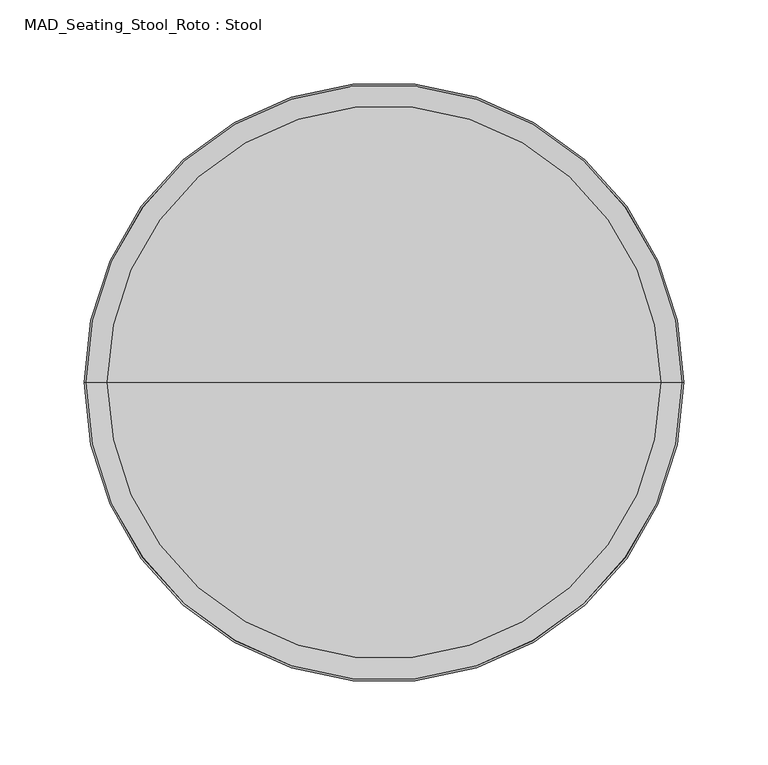
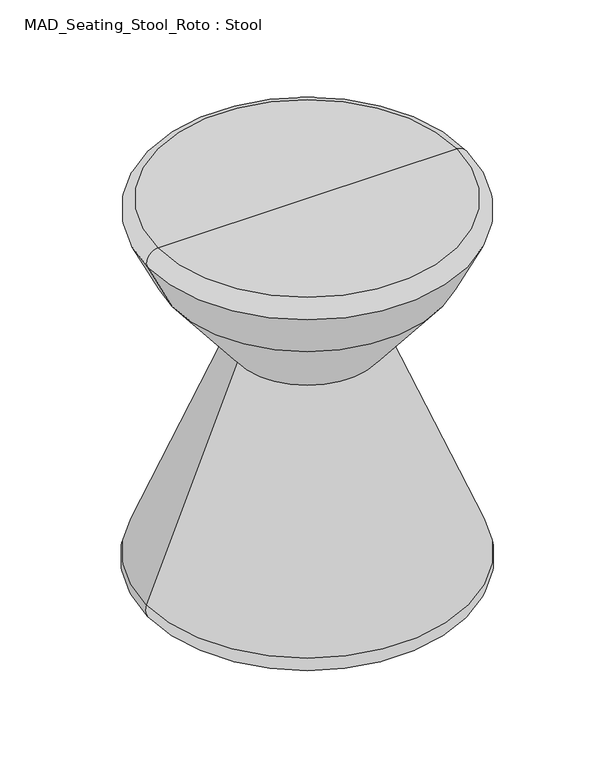
"""IFC4 building model written with IfcOpenShell, lengths in millimetres: furniture geometry, MAD_Seating_Stool_Roto : Stool."""

import ifcopenshell
import ifcopenshell.guid

model = None  # the IFC model being written
_history = None  # IfcOwnerHistory: only IFC2X3 demands one
_inside = {}  # id of a spatial element -> (the spatial element, [elements in it])
_under = {}  # id of a project, library or spatial element -> (it, [spatial elements below it])
_declared = {}  # id of a project -> (the project, [libraries it declares])
_typed = {}  # id of a type object -> (the type object, [elements of that type])
_made_of = {}  # id of a material, layer set ... -> (it, [elements and type objects made of it])


def new_model(schema):
    """Start an empty IFC model of exactly this schema.

    Asked for "IFC4X3", IfcOpenShell would pick the latest addendum, in which some entities
    have other attributes; the version numbers below select the first issue.
    IFC2X3 requires an IfcOwnerHistory on every rooted entity: one is made here for all.
    """
    global model, _history
    if schema == "IFC4X3":
        model = ifcopenshell.file(schema_version=(4, 3, 0, 0))
    else:
        model = ifcopenshell.file(schema=schema)
    _inside.clear()
    _under.clear()
    _declared.clear()
    _typed.clear()
    _made_of.clear()
    _history = None
    if model.schema == "IFC2X3":
        org = make("IfcOrganization", Name="unknown")
        user = make(
            "IfcPersonAndOrganization",
            ThePerson=make("IfcPerson", FamilyName="unknown"),
            TheOrganization=org,
        )
        app = make(
            "IfcApplication",
            ApplicationDeveloper=org,
            Version="unknown",
            ApplicationFullName="unknown",
            ApplicationIdentifier="unknown",
        )
        _history = make(
            "IfcOwnerHistory",
            OwningUser=user,
            OwningApplication=app,
            ChangeAction="ADDED",
            CreationDate=0,
        )
    return model


def make(cls, **values):
    """One entity of the class cls with the attributes given. An attribute that is None is left unset."""
    return model.create_entity(
        cls, **{name: value for name, value in values.items() if value is not None}
    )


def rooted(cls, **values):
    """An entity with a GlobalId (a new one), such as an element, a storey or a relation."""
    return make(cls, GlobalId=ifcopenshell.guid.new(), OwnerHistory=_history, **values)


def si_unit(unit_type, name, prefix=None):
    """IfcSIUnit, for example si_unit("LENGTHUNIT", "METRE", prefix="MILLI")."""
    return make("IfcSIUnit", UnitType=unit_type, Prefix=prefix, Name=name)


def assignment(units):
    """IfcUnitAssignment: the units of a project."""
    return None if units is None else make("IfcUnitAssignment", Units=units)


def point(xyz):
    """IfcCartesianPoint."""
    return None if xyz is None else make("IfcCartesianPoint", Coordinates=xyz)


def direction(xyz):
    """IfcDirection."""
    return None if xyz is None else make("IfcDirection", DirectionRatios=xyz)


def frame(location, z_axis=None, x_axis=None):
    """IfcAxis2Placement3D, a coordinate frame: its origin and axes. An axis left out is left unset."""
    return make(
        "IfcAxis2Placement3D",
        Location=point(location),
        Axis=direction(z_axis),
        RefDirection=direction(x_axis),
    )


def origin():
    """The frame at (0, 0, 0) with its axes left unset."""
    return frame((0.0, 0.0, 0.0))


def place(relative_to, where):
    """IfcLocalPlacement: puts the frame where relative to a parent placement (None: the world)."""
    return make(
        "IfcLocalPlacement", PlacementRelTo=relative_to, RelativePlacement=where
    )


def context(
    kind, dimensions, precision=None, world=None, true_north=None, identifier=None
):
    """IfcGeometricRepresentationContext, for example the 3D "Model" context."""
    return make(
        "IfcGeometricRepresentationContext",
        ContextIdentifier=identifier,
        ContextType=kind,
        CoordinateSpaceDimension=dimensions,
        Precision=precision,
        WorldCoordinateSystem=world,
        TrueNorth=true_north,
    )


def project(units=None, contexts=None):
    """IfcProject with its units and contexts."""
    return rooted(
        "IfcProject",
        Name="project",
        RepresentationContexts=contexts,
        UnitsInContext=assignment(units),
    )


def spatial(cls, under=None, at=None, **own):
    """A site, building, storey or space (cls), placed at a placement, below another one or the project."""
    s = rooted(cls, ObjectPlacement=at, **own)
    if under is not None:
        _under.setdefault(under.id(), (under, []))[1].append(s)
    return s


def polyline(points):
    """IfcPolyline through the points."""
    return make("IfcPolyline", Points=[point(p) for p in points])


def circle_curve(where, radius):
    """IfcCircle in the frame where."""
    return make("IfcCircle", Position=where, Radius=radius)


def ellipse_curve(where, semi_axis1, semi_axis2):
    """IfcEllipse in the frame where."""
    return make(
        "IfcEllipse", Position=where, SemiAxis1=semi_axis1, SemiAxis2=semi_axis2
    )


def trimmed(basis, trim1, trim2, sense, master):
    """IfcTrimmedCurve: the piece of a basis curve between two trims."""
    return make(
        "IfcTrimmedCurve",
        BasisCurve=basis,
        Trim1=trim1,
        Trim2=trim2,
        SenseAgreement=sense,
        MasterRepresentation=master,
    )


def shape(context_of_items, identifier, shape_type, items):
    """IfcShapeRepresentation: the items that make up one representation, for example the "Body"."""
    return make(
        "IfcShapeRepresentation",
        ContextOfItems=context_of_items,
        RepresentationIdentifier=identifier,
        RepresentationType=shape_type,
        Items=items,
    )


def source(mapping_origin, context_of_items, identifier, shape_type, items):
    """IfcRepresentationMap: a shape defined once, which mapped items show again and again."""
    return make(
        "IfcRepresentationMap",
        MappingOrigin=mapping_origin,
        MappedRepresentation=shape(context_of_items, identifier, shape_type, items),
    )


def transform(
    local_origin,
    x_axis=None,
    y_axis=None,
    z_axis=None,
    scale=None,
    scale2=None,
    scale3=None,
    uniform=True,
):
    """IfcCartesianTransformationOperator3D, or its non-uniform kind. x_axis, y_axis, z_axis: its Axis1, 2, 3."""
    if uniform:
        return make(
            "IfcCartesianTransformationOperator3D",
            Axis1=direction(x_axis),
            Axis2=direction(y_axis),
            LocalOrigin=point(local_origin),
            Scale=scale,
            Axis3=direction(z_axis),
        )
    return make(
        "IfcCartesianTransformationOperator3DnonUniform",
        Axis1=direction(x_axis),
        Axis2=direction(y_axis),
        LocalOrigin=point(local_origin),
        Scale=scale,
        Axis3=direction(z_axis),
        Scale2=scale2,
        Scale3=scale3,
    )


def mapped(mapping_source, mapping_target):
    """IfcMappedItem: shows the shape of a source again, moved by a transform."""
    return make(
        "IfcMappedItem", MappingSource=mapping_source, MappingTarget=mapping_target
    )


def made_of(thing, what):
    """Note that an element or type object is made of a material, layer set ...; save() writes the relation."""
    if what is not None:
        _made_of.setdefault(what.id(), (what, []))[1].append(thing)
    return thing


def element(
    cls,
    number,
    at=None,
    inside=None,
    cuts=None,
    type_object=None,
    material=None,
    context=None,
    identifier="Body",
    shape_type=None,
    held_by="IfcProductDefinitionShape",
    body=None,
    shapes=None,
    **own,
):
    """One element of the class cls, such as IfcWall. Its Tag is "e" and its number.

    at: its placement. inside: the storey or other place that contains it. cuts: it is an
    opening in that element (IfcRelVoidsElement). A single representation is given by context,
    identifier, shape_type and body (its items); several are given by shapes. held_by: the class
    of the entity that holds the representations. save() writes the other relations.
    """
    e = rooted(cls, Tag="e%d" % number, ObjectPlacement=at, **own)
    if body is not None:
        shapes = [shape(context, identifier, shape_type, body)]
    if shapes is not None:
        e.Representation = make(held_by, Representations=shapes)
    if inside is not None:
        _inside.setdefault(inside.id(), (inside, []))[1].append(e)
    if cuts is not None:
        rooted(
            "IfcRelVoidsElement", RelatingBuildingElement=cuts, RelatedOpeningElement=e
        )
    if type_object is not None:
        _typed.setdefault(type_object.id(), (type_object, []))[1].append(e)
    return made_of(e, material)


def aggregate(whole, parts):
    """IfcRelAggregates: a whole, such as a stair, and the parts it consists of."""
    return rooted("IfcRelAggregates", RelatingObject=whole, RelatedObjects=parts)


def save(model, path):
    """Write the relations noted so far, then the file.

    IfcRelAggregates (storeys below a building ...), IfcRelContainedInSpatialStructure (elements
    in a storey), IfcRelDefinesByType, IfcRelAssociatesMaterial and IfcRelDeclares: one each for
    every whole, place, type object, material and project.
    """
    for whole, parts in _under.values():
        aggregate(whole, parts)
    for where, things in _inside.values():
        rooted(
            "IfcRelContainedInSpatialStructure",
            RelatedElements=things,
            RelatingStructure=where,
        )
    for kind, things in _typed.values():
        rooted("IfcRelDefinesByType", RelatedObjects=things, RelatingType=kind)
    for what, things in _made_of.values():
        rooted("IfcRelAssociatesMaterial", RelatedObjects=things, RelatingMaterial=what)
    for by, libraries in _declared.values():
        rooted("IfcRelDeclares", RelatingContext=by, RelatedDefinitions=libraries)
    model.write(path)


def plane_surface(at):
    """IfcPlane: the flat surface through the origin of the frame at, square to its z axis."""
    return make("IfcPlane", Position=at)


def revolved_surface(curve, axis_point, axis_direction):
    """IfcSurfaceOfRevolution: the curve turned about the line through axis_point along axis_direction."""
    return make(
        "IfcSurfaceOfRevolution",
        SweptCurve=make("IfcArbitraryOpenProfileDef", ProfileType="CURVE", Curve=curve),
        AxisPosition=make("IfcAxis1Placement", Location=point(axis_point), Axis=direction(axis_direction)),
    )


def advanced_brep(points, edges, surfaces, faces):
    """IfcAdvancedBrep: a solid bounded by faces that lie on surfaces and meet in shared edges.

    An edge is (start, end): straight between two places in points (the first is 0);
    or (start, end, curve); or (start, end, curve, False) where it runs against its curve.
    A face is (place in surfaces, loops), or (place, loops, False) where it looks against
    its surface's normal. A loop lists edges by number (the first is 1), with a minus sign
    where the edge is run from its end to its start. The first loop is the outer one.
    """
    corners = [point(p) for p in points]
    vertices = [make("IfcVertexPoint", VertexGeometry=c) for c in corners]
    made = []
    for start, end, *more in edges:
        made.append(
            make(
                "IfcEdgeCurve",
                EdgeStart=vertices[start],
                EdgeEnd=vertices[end],
                EdgeGeometry=more[0] if more else make("IfcPolyline", Points=[corners[start], corners[end]]),
                SameSense=more[1] if len(more) > 1 else True,
            )
        )
    hull = []
    for where, loops, *sense in faces:
        bounds = []
        for j, loop in enumerate(loops):
            ring = [make("IfcOrientedEdge", EdgeElement=made[abs(k) - 1], Orientation=k > 0) for k in loop]
            bounds.append(
                make(
                    "IfcFaceOuterBound" if j == 0 else "IfcFaceBound",
                    Bound=make("IfcEdgeLoop", EdgeList=ring),
                    Orientation=True,
                )
            )
        hull.append(make("IfcAdvancedFace", Bounds=bounds, FaceSurface=surfaces[where], SameSense=sense[0] if sense else True))
    return make("IfcAdvancedBrep", Outer=make("IfcClosedShell", CfsFaces=hull))


def mad_seating_stool_roto_stool_d127ea80(model_context):
    return source(origin(), model_context, "Body", "AdvancedBrep", [
        advanced_brep(
        [(164.2968128, 0.0, 431.758784), (-164.2968128, 0.0, 431.758784), (0.0, 0.0, 431.758784), (175.7114971, 0.0, 413.4914704), (-175.7114971, 0.0, 413.4914704), (148.4155776, 0.0, 357.5265418), (-148.4155776, 0.0, 357.5265418), (77.1187031, 0.0, 268.2462901), (-77.1187031, 0.0, 268.2462901), (177.0332921, 0.0, 20.9490045), (-177.0332921, 0.0, 20.9490045), (162.9030101, 0.0, 0.0), (-162.9030101, 0.0, 0.0), (0.0, 0.0, 0.0)],
        [
            (0, 1, circle_curve(frame((0.0, 0.0, 431.758784), z_axis=(0.0, 0.0, 1.0), x_axis=(-1.0, 0.0, 0.0)), 164.2968128)),
            (1, 2),
            (2, 0),
            (1, 0, circle_curve(frame((0.0, 0.0, 431.758784), z_axis=(0.0, 0.0, 1.0), x_axis=(-1.0, 0.0, 0.0)), 164.2968128)),
            (3, 4, circle_curve(frame((0.0, 0.0, 413.4914704), z_axis=(0.0, 0.0, 1.0), x_axis=(-1.0, 0.0, 0.0)), 175.7114971)),
            (4, 1, circle_curve(frame((-164.2968128, 0.0, 419.058784), z_axis=(0.0, 1.0, 0.0), x_axis=(-1.0, 0.0, 0.0)), 12.7)),
            (0, 3, circle_curve(frame((164.2968128, 0.0, 419.058784), z_axis=(0.0, 1.0, 0.0), x_axis=(1.0, 0.0, 0.0)), 12.7)),
            (4, 3, circle_curve(frame((0.0, 0.0, 413.4914704), z_axis=(0.0, 0.0, 1.0), x_axis=(-1.0, 0.0, 0.0)), 175.7114971)),
            (5, 6, circle_curve(frame((0.0, 0.0, 357.5265418), z_axis=(0.0, 0.0, 1.0), x_axis=(-1.0, 0.0, 0.0)), 148.4155776)),
            (6, 4),
            (3, 5),
            (6, 5, circle_curve(frame((0.0, 0.0, 357.5265418), z_axis=(0.0, 0.0, 1.0), x_axis=(-1.0, 0.0, 0.0)), 148.4155776)),
            (7, 8, circle_curve(frame((0.0, 0.0, 268.2462901), z_axis=(0.0, 0.0, 1.0), x_axis=(-1.0, 0.0, 0.0)), 77.1187031)),
            (8, 6),
            (5, 7),
            (8, 7, circle_curve(frame((0.0, 0.0, 268.2462901), z_axis=(0.0, 0.0, 1.0), x_axis=(-1.0, 0.0, 0.0)), 77.1187031)),
            (9, 10, circle_curve(frame((0.0, 0.0, 20.9490045), z_axis=(0.0, 0.0, 1.0), x_axis=(-1.0, 0.0, 0.0)), 177.0332921)),
            (10, 8),
            (7, 9),
            (10, 9, circle_curve(frame((0.0, 0.0, 20.9490045), z_axis=(0.0, 0.0, 1.0), x_axis=(-1.0, 0.0, 0.0)), 177.0332921)),
            (11, 12, circle_curve(frame((0.0, 0.0, 0.0), z_axis=(0.0, 0.0, 1.0), x_axis=(-1.0, 0.0, 0.0)), 162.9030101)),
            (12, 10, circle_curve(frame((-162.9030101, 0.0, 15.24), z_axis=(0.0, 1.0, 0.0), x_axis=(-1.0, 0.0, 0.0)), 15.24)),
            (9, 11, circle_curve(frame((162.9030101, 0.0, 15.24), z_axis=(0.0, 1.0, 0.0), x_axis=(1.0, 0.0, 0.0)), 15.24)),
            (12, 11, circle_curve(frame((0.0, 0.0, 0.0), z_axis=(0.0, 0.0, 1.0), x_axis=(-1.0, 0.0, 0.0)), 162.9030101)),
            (13, 12),
            (11, 13),
        ],
        [
            plane_surface(frame((0.0, 0.0, 431.758784), z_axis=(0.0, 0.0, 1.0), x_axis=(-1.0, 0.0, 0.0))),
            revolved_surface(trimmed(ellipse_curve(frame((-164.2968128, 0.0, 419.058784), z_axis=(0.0, -1.0, 0.0), x_axis=(-1.0, 0.0, 0.0)), 12.7, 12.7), [point((-164.2968128, 0.0, 431.758784))], [point((-175.7114971, 0.0, 413.4914704))], True, "CARTESIAN"), (0.0, 0.0, 533.358784), (0.0, 0.0, -1.0)),
            revolved_surface(polyline([(-175.7114971, 0.0, 413.4914704), (-148.4155776, 0.0, 357.5265418)]), (0.0, 0.0, 533.358784), (0.0, 0.0, -1.0)),
            revolved_surface(polyline([(-148.4155776, 0.0, 357.5265418), (-77.1187031, 0.0, 268.2462901)]), (0.0, 0.0, 533.358784), (0.0, 0.0, -1.0)),
            revolved_surface(polyline([(-77.1187031, 0.0, 268.2462901), (-177.0332921, 0.0, 20.9490045)]), (0.0, 0.0, 533.358784), (0.0, 0.0, -1.0)),
            revolved_surface(trimmed(ellipse_curve(frame((-162.9030101, 0.0, 15.24), z_axis=(0.0, -1.0, 0.0), x_axis=(-1.0, 0.0, 0.0)), 15.24, 15.24), [point((-177.0332921, 0.0, 20.9490045))], [point((-162.9030101, 0.0, 0.0))], True, "CARTESIAN"), (0.0, 0.0, 533.358784), (0.0, 0.0, -1.0)),
            plane_surface(frame((0.0, 0.0, 0.0), z_axis=(0.0, 0.0, -1.0), x_axis=(-1.0, 0.0, 0.0))),
        ],
        [
            (0, [[1, 2, 3]]),
            (0, [[4, -3, -2]]),
            (1, [[5, 6, -1, 7]]),
            (1, [[8, -7, -4, -6]]),
            (2, [[9, 10, -5, 11]]),
            (2, [[12, -11, -8, -10]]),
            (3, [[13, 14, -9, 15]]),
            (3, [[16, -15, -12, -14]]),
            (4, [[17, 18, -13, 19]]),
            (4, [[20, -19, -16, -18]]),
            (5, [[21, 22, -17, 23]]),
            (5, [[24, -23, -20, -22]]),
            (6, [[25, -21, 26]]),
            (6, [[-26, -24, -25]]),
        ],
    ),
    ])


if __name__ == "__main__":
    model = new_model("IFC4")
    model_context = context("Model", 3, world=origin())
    ifc_project = project(units=[si_unit("LENGTHUNIT", "METRE", prefix="MILLI")], contexts=[model_context])
    site = spatial("IfcSite", under=ifc_project)
    building = spatial("IfcBuilding", under=site)
    placement = place(None, origin())
    mad_seating_stool_roto_stool_shape = mad_seating_stool_roto_stool_d127ea80(model_context)
    element("IfcFurniture", 1, ObjectType="MAD_Seating_Stool_Roto : Stool", at=placement, inside=building, context=model_context, shape_type="MappedRepresentation", body=[
        mapped(mad_seating_stool_roto_stool_shape, transform((0.0, 0.0, 0.0), x_axis=(1.0, 0.0, 0.0), y_axis=(0.0, 1.0, 0.0), z_axis=(0.0, 0.0, 1.0))),
    ])
    save(model, "model.ifc")
